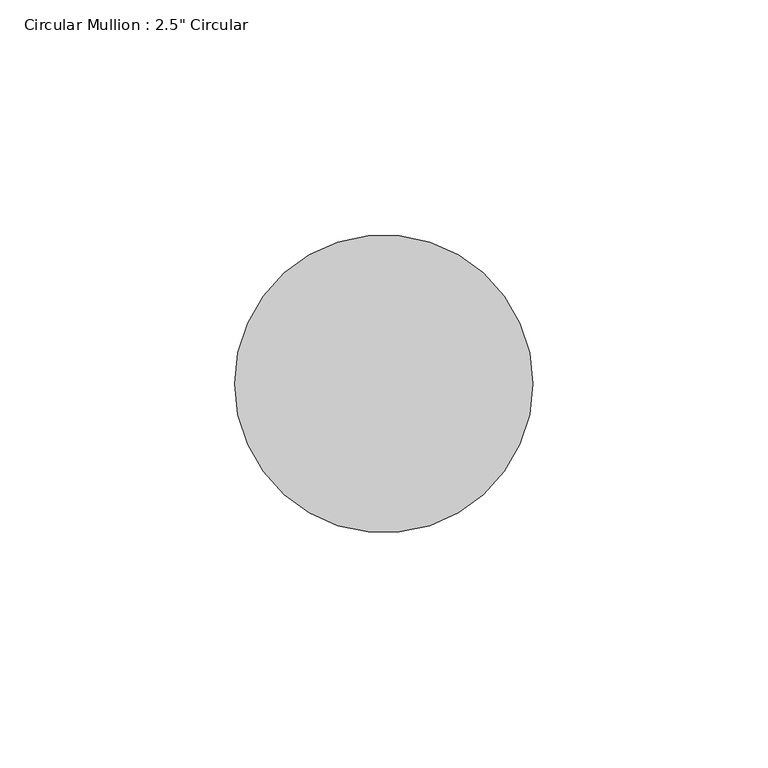
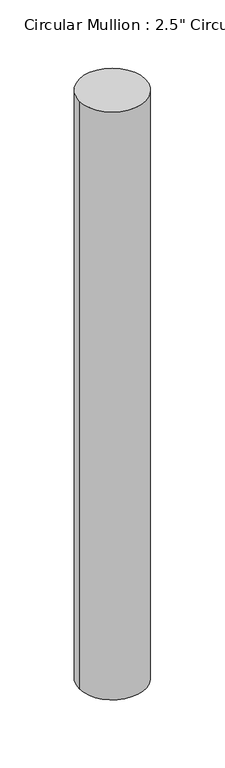
"""IFC4 building model written with IfcOpenShell, lengths in millimetres: member geometry."""

from ifc_helpers import new_model, si_unit, point, frame, frame_2d, origin, place, context, project, spatial, circle_curve, trimmed, segment, composite_curve, outline, extrude, source, transform, mapped, element, save


def member_279a7f0c(model_context):
    return source(origin(), model_context, "Body", "SweptSolid", [
        extrude(outline(composite_curve([segment(trimmed(circle_curve(frame_2d((-31.75, 0.0)), 31.75), [point((0.0, 0.0))], [point((-63.5, 0.0))], False, "CARTESIAN"), True, "CONTINUOUS"), segment(trimmed(circle_curve(frame_2d((-31.75, 0.0)), 31.75), [point((-63.5, 0.0))], [point((0.0, 0.0))], False, "CARTESIAN"), True, "CONTINUOUS")], self_intersect=False)), frame((0.0, 0.0, -596.5), z_axis=(0.0, 0.0, 1.0), x_axis=(1.0, 0.0, 0.0)), (0.0, 0.0, 1.0), 596.5),
    ])


if __name__ == "__main__":
    model = new_model("IFC4")
    model_context = context("Model", 3, world=origin())
    ifc_project = project(units=[si_unit("LENGTHUNIT", "METRE", prefix="MILLI")], contexts=[model_context])
    site = spatial("IfcSite", under=ifc_project)
    building = spatial("IfcBuilding", under=site)
    placement = place(None, origin())
    member_shape = member_279a7f0c(model_context)
    element("IfcMember", 1, ObjectType="Circular Mullion : 2.5\" Circular", at=placement, inside=building, context=model_context, shape_type="MappedRepresentation", body=[
        mapped(member_shape, transform((0.0, 0.0, 0.0), x_axis=(1.0, 0.0, 0.0), y_axis=(0.0, 1.0, 0.0), z_axis=(0.0, 0.0, 1.0))),
    ])
    save(model, "model.ifc")
